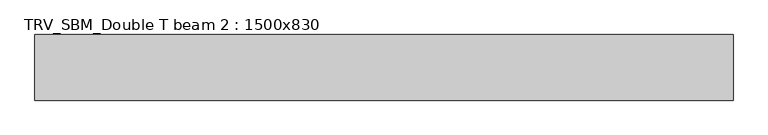
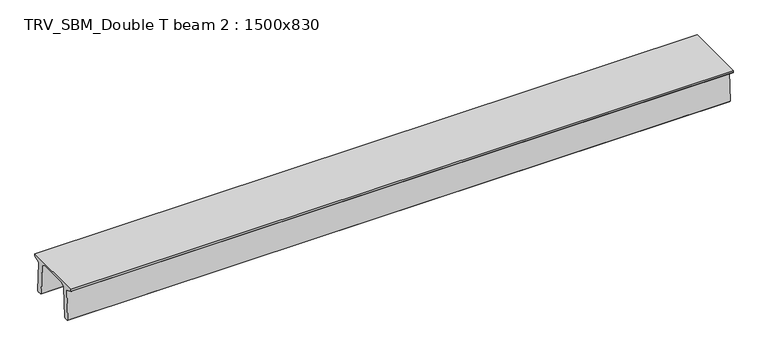
"""IFC4 building model written with IfcOpenShell, lengths in millimetres: beam geometry, TRV_SBM_Double T beam 2 : 1500x830."""

from ifc_helpers import new_model, si_unit, frame, origin, place, context, project, spatial, polyline, outline, extrude, source, transform, mapped, element, save


def trv_sbm_double_t_beam_2_1500x830_8e7a71c8(model_context):
    return source(origin(), model_context, "Body", "SweptSolid", [
        extrude(outline(polyline([(337.4555014, 470.0), (-343.4555014, 470.0), (-456.5828437, 409.8491251), (-494.786332, -340.5206011), (-514.2657308, -360.0), (-604.2657308, -360.0), (-624.8277662, -339.4379646), (-586.9373878, 401.9654693), (-752.8511046, 468.9989621), (-753.0, 475.0), (-753.0, 520.0), (747.0, 520.0), (747.0, 475.0), (746.8511046, 468.9989621), (580.9373878, 401.9654693), (618.8277662, -339.4379646), (598.2657308, -360.0), (508.2657308, -360.0), (488.786332, -340.5206011), (450.5828437, 409.8491251), (337.4555014, 470.0)])), frame((-7983.0, 0.0, 0.0), z_axis=(1.0, 0.0, 0.0), x_axis=(0.0, 1.0, 0.0)), (0.0, 0.0, 1.0), 15966.0),
    ])


if __name__ == "__main__":
    model = new_model("IFC4")
    model_context = context("Model", 3, world=origin())
    ifc_project = project(units=[si_unit("LENGTHUNIT", "METRE", prefix="MILLI")], contexts=[model_context])
    site = spatial("IfcSite", under=ifc_project)
    building = spatial("IfcBuilding", under=site)
    placement = place(None, origin())
    trv_sbm_double_t_beam_2_1500x830_shape = trv_sbm_double_t_beam_2_1500x830_8e7a71c8(model_context)
    element("IfcBeam", 1, ObjectType="TRV_SBM_Double T beam 2 : 1500x830", at=placement, inside=building, context=model_context, shape_type="MappedRepresentation", body=[
        mapped(trv_sbm_double_t_beam_2_1500x830_shape, transform((0.0, 0.0, 0.0), x_axis=(1.0, 0.0, 0.0), y_axis=(0.0, 1.0, 0.0), z_axis=(0.0, 0.0, 1.0))),
    ])
    save(model, "model.ifc")
